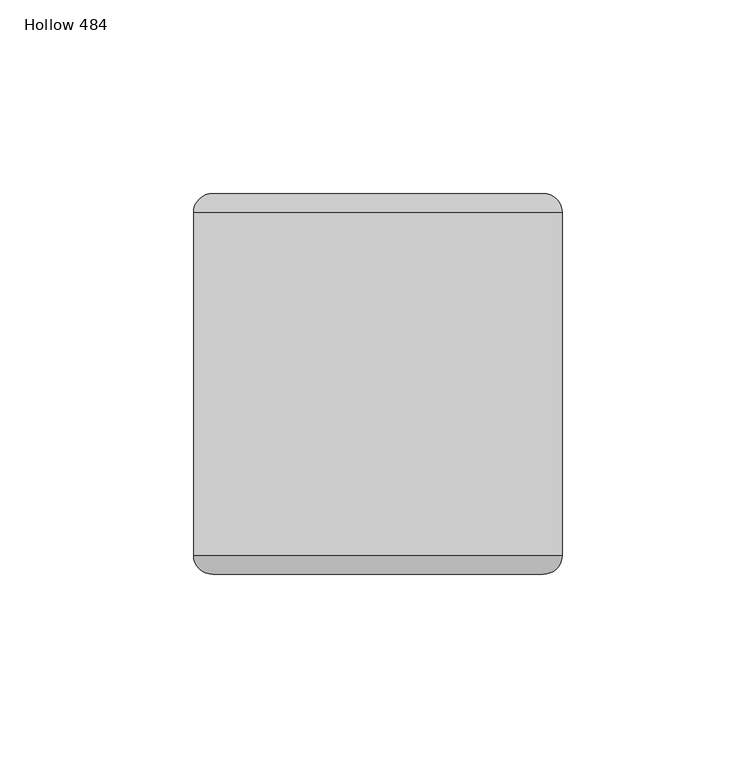
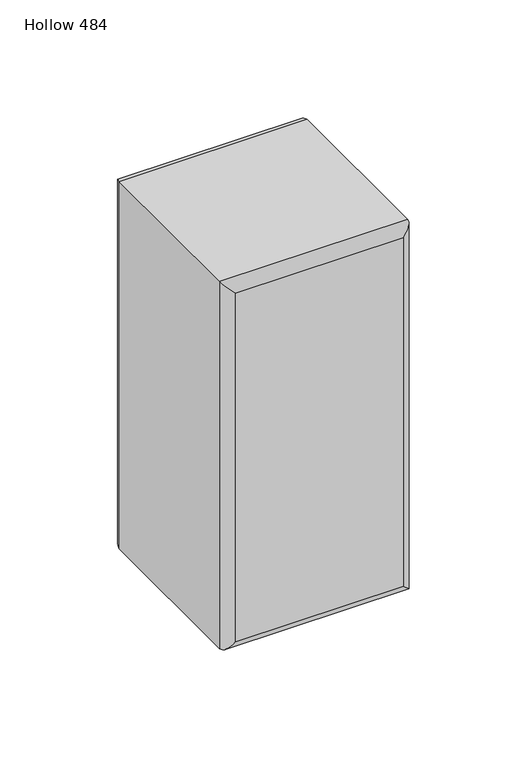
"""IFC4 building model written with IfcOpenShell, lengths in millimetres: plate geometry, Hollow 484."""

from ifc_helpers import new_model, si_unit, frame, origin, place, context, project, spatial, ellipse_curve, source, transform, mapped, element, save
from ifc_brep_helpers import plane_surface, cylinder_surface, advanced_brep


def hollow_484_6cce6dcf(model_context):
    return source(origin(), model_context, "Body", "AdvancedBrep", [
        advanced_brep(
        [(-47.625, -44.2, 197.0), (47.675, -44.2, 197.0), (47.675, 44.2, 197.0), (-47.625, 44.2, 197.0), (47.675, -44.2, 0.0), (-47.625, -44.2, 0.0), (-47.625, 44.2, 0.0), (47.675, 44.2, 0.0), (-42.625, -49.2, 5.0), (42.675, -49.2, 5.0), (42.675, -49.2, 192.0), (-42.625, -49.2, 192.0), (42.675, 49.2, 5.0), (-42.625, 49.2, 5.0), (-42.625, 49.2, 192.0), (42.675, 49.2, 192.0)],
        [
            (0, 1),
            (1, 2),
            (2, 3),
            (3, 0),
            (4, 5),
            (5, 6),
            (6, 7),
            (7, 4),
            (8, 9),
            (9, 10),
            (10, 11),
            (11, 8),
            (1, 4),
            (7, 2),
            (12, 13),
            (13, 14),
            (14, 15),
            (15, 12),
            (5, 0),
            (3, 6),
            (4, 9, ellipse_curve(frame((42.675, -44.2, 5.0), z_axis=(-0.7071067811865475, 0.0, -0.7071067811865475), x_axis=(0.7071067811865476, 0.0, -0.7071067811865474)), 7.0710678, 5.0)),
            (8, 5, ellipse_curve(frame((-42.625, -44.2, 5.0), z_axis=(0.7071067811865475, 0.0, -0.7071067811865475), x_axis=(0.7071067811865476, 0.0, 0.7071067811865474)), 7.0710678, 5.0)),
            (1, 10, ellipse_curve(frame((42.675, -44.2, 192.0), z_axis=(0.7071067811865475, 0.0, -0.7071067811865475), x_axis=(0.7071067811865474, 0.0, 0.7071067811865476)), 7.0710678, 5.0)),
            (0, 11, ellipse_curve(frame((-42.625, -44.2, 192.0), z_axis=(0.7071067811865475, 0.0, 0.7071067811865475), x_axis=(-0.7071067811865476, 0.0, 0.7071067811865474)), 7.0710678, 5.0)),
            (12, 7, ellipse_curve(frame((42.675, 44.2, 5.0), z_axis=(-0.7071067811865475, 0.0, -0.7071067811865475), x_axis=(0.7071067811865476, 0.0, -0.7071067811865474)), 7.0710678, 5.0)),
            (6, 13, ellipse_curve(frame((-42.625, 44.2, 5.0), z_axis=(0.7071067811865475, 0.0, -0.7071067811865475), x_axis=(0.7071067811865476, 0.0, 0.7071067811865474)), 7.0710678, 5.0)),
            (15, 2, ellipse_curve(frame((42.675, 44.2, 192.0), z_axis=(0.7071067811865475, 0.0, -0.7071067811865475), x_axis=(0.7071067811865474, 0.0, 0.7071067811865476)), 7.0710678, 5.0)),
            (14, 3, ellipse_curve(frame((-42.625, 44.2, 192.0), z_axis=(0.7071067811865475, 0.0, 0.7071067811865475), x_axis=(-0.7071067811865476, 0.0, 0.7071067811865474)), 7.0710678, 5.0)),
        ],
        [
            plane_surface(frame((-47.625, -49.2, 197.0), z_axis=(0.0, 0.0, 1.0), x_axis=(1.0, 0.0, 0.0))),
            plane_surface(frame((-47.625, -49.2, 0.0), z_axis=(0.0, 0.0, -1.0), x_axis=(-1.0, 0.0, 0.0))),
            plane_surface(frame((-47.625, -49.2, 197.0), z_axis=(0.0, -1.0, 0.0), x_axis=(0.0, 0.0, -1.0))),
            plane_surface(frame((47.675, -49.2, 197.0), z_axis=(1.0, 0.0, 0.0), x_axis=(0.0, 0.0, -1.0))),
            plane_surface(frame((47.675, 49.2, 197.0), z_axis=(0.0, 1.0, 0.0), x_axis=(0.0, 0.0, -1.0))),
            plane_surface(frame((-47.625, 49.2, 197.0), z_axis=(-1.0, 0.0, 0.0), x_axis=(0.0, 0.0, -1.0))),
            cylinder_surface(frame((-47.625, -44.2, 5.0), z_axis=(1.0, 0.0, 0.0), x_axis=(0.0, 0.0, -1.0)), 5.0),
            cylinder_surface(frame((42.675, -44.2, 0.0), z_axis=(0.0, 0.0, 1.0), x_axis=(1.0, 0.0, 0.0)), 5.0),
            cylinder_surface(frame((47.675, -44.2, 192.0), z_axis=(-1.0, 0.0, 0.0), x_axis=(0.0, 0.0, 1.0)), 5.0),
            cylinder_surface(frame((-42.625, -44.2, 197.0), z_axis=(0.0, 0.0, -1.0), x_axis=(-1.0, 0.0, 0.0)), 5.0),
            cylinder_surface(frame((-47.625, 44.2, 5.0), z_axis=(1.0, 0.0, 0.0), x_axis=(0.0, 0.0, -1.0)), 5.0),
            cylinder_surface(frame((42.675, 44.2, 0.0), z_axis=(0.0, 0.0, 1.0), x_axis=(1.0, 0.0, 0.0)), 5.0),
            cylinder_surface(frame((47.675, 44.2, 192.0), z_axis=(-1.0, 0.0, 0.0), x_axis=(0.0, 0.0, 1.0)), 5.0),
            cylinder_surface(frame((-42.625, 44.2, 197.0), z_axis=(0.0, 0.0, -1.0), x_axis=(-1.0, 0.0, 0.0)), 5.0),
        ],
        [
            (0, [[1, 2, 3, 4]]),
            (1, [[5, 6, 7, 8]]),
            (2, [[9, 10, 11, 12]]),
            (3, [[13, -8, 14, -2]]),
            (4, [[15, 16, 17, 18]]),
            (5, [[19, -4, 20, -6]]),
            (6, [[21, -9, 22, -5]]),
            (7, [[-21, -13, 23, -10]]),
            (8, [[-23, -1, 24, -11]]),
            (9, [[-22, -12, -24, -19]]),
            (10, [[25, -7, 26, -15]]),
            (11, [[-25, -18, 27, -14]]),
            (12, [[-27, -17, 28, -3]]),
            (13, [[-26, -20, -28, -16]]),
        ],
    ),
    ])


if __name__ == "__main__":
    model = new_model("IFC4")
    model_context = context("Model", 3, world=origin())
    ifc_project = project(units=[si_unit("LENGTHUNIT", "METRE", prefix="MILLI")], contexts=[model_context])
    site = spatial("IfcSite", under=ifc_project)
    building = spatial("IfcBuilding", under=site)
    placement = place(None, origin())
    hollow_484_shape = hollow_484_6cce6dcf(model_context)
    element("IfcPlate", 1, ObjectType="Hollow 484", at=placement, inside=building, context=model_context, shape_type="MappedRepresentation", body=[
        mapped(hollow_484_shape, transform((0.0, 0.0, 0.0), x_axis=(1.0, 0.0, 0.0), y_axis=(0.0, 1.0, 0.0), z_axis=(0.0, 0.0, 1.0))),
    ])
    save(model, "model.ifc")
